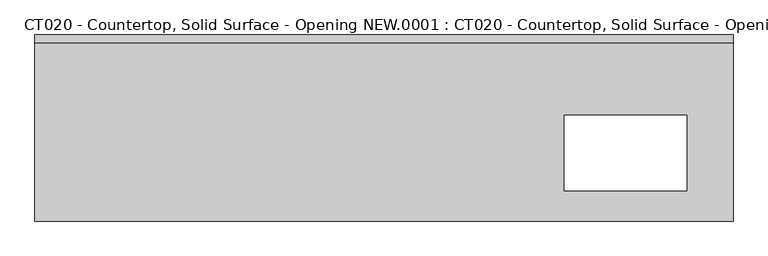
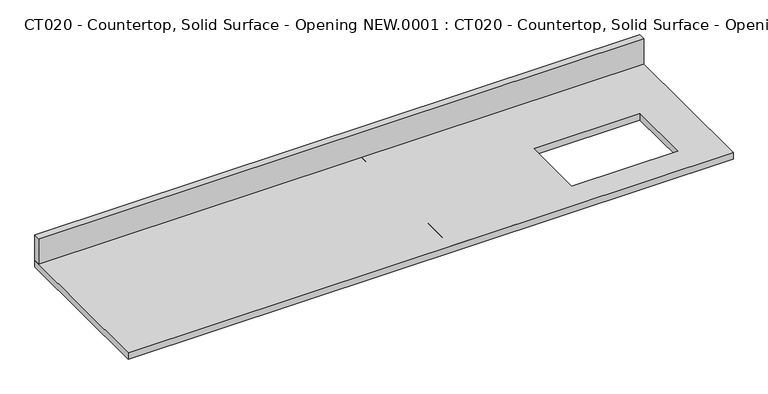
"""IFC4 building model written with IfcOpenShell, lengths in millimetres: proxy geometry, CT020 - Countertop, Solid Surface - Opening NEW.0001 : CT020 - Countertop, Solid Surface - Opening NEW.0001."""

from ifc_helpers import new_model, si_unit, frame, origin, origin_with_axes, place, context, project, spatial, polyline, outline, extrude, source, transform, mapped, element, save


def ct020_countertop_solid_surface_opening_new_0001_ct020_fa77c4ef(model_context):
    return source(origin(), model_context, "Body", "SweptSolid", [
        extrude(outline(polyline([(914.4, 304.8), (914.4, -304.8), (-1372.2698852, -304.8), (-1372.2698852, 304.8), (914.4, 304.8)]), holes=[polyline([(762.0, 41.1049023), (361.95, 41.1049023), (361.95, -205.1859595), (762.0, -205.1859595), (762.0, 41.1049023)])]), origin_with_axes(), (0.0, 0.0, 1.0), 25.4),
        extrude(outline(polyline([(-1372.2698852, 279.4), (-1372.2698852, 304.8), (914.4, 304.8), (914.4, 279.4), (-1372.2698852, 279.4)])), frame((0.0, 0.0, 25.4), z_axis=(0.0, 0.0, 1.0), x_axis=(1.0, 0.0, 0.0)), (0.0, 0.0, 1.0), 101.6),
        extrude(outline(polyline([(-152.4, 304.8), (152.4, 304.8), (152.4, -304.8), (-152.4, -304.8), (-152.4, 0.0), (-152.4, 304.8)])), origin_with_axes(), (0.0, 0.0, 1.0), 25.4),
    ])


if __name__ == "__main__":
    model = new_model("IFC4")
    model_context = context("Model", 3, world=origin())
    ifc_project = project(units=[si_unit("LENGTHUNIT", "METRE", prefix="MILLI")], contexts=[model_context])
    site = spatial("IfcSite", under=ifc_project)
    building = spatial("IfcBuilding", under=site)
    placement = place(None, origin())
    ct020_countertop_solid_surface_opening_new_0001_ct020_shape = ct020_countertop_solid_surface_opening_new_0001_ct020_fa77c4ef(model_context)
    element("IfcBuildingElementProxy", 1, Name="CT020 - Countertop, Solid Surface - Opening NEW.0001 : CT020 - Countertop, Solid Surface - Opening NEW.0001", ObjectType="CT020 - Countertop, Solid Surface - Opening NEW.0001 : CT020 - Countertop, Solid Surface - Opening NEW.0001", at=placement, inside=building, context=model_context, shape_type="MappedRepresentation", body=[
        mapped(ct020_countertop_solid_surface_opening_new_0001_ct020_shape, transform((0.0, 0.0, 0.0), x_axis=(1.0, 0.0, 0.0), y_axis=(0.0, 1.0, 0.0), z_axis=(0.0, 0.0, 1.0))),
    ])
    save(model, "model.ifc")
